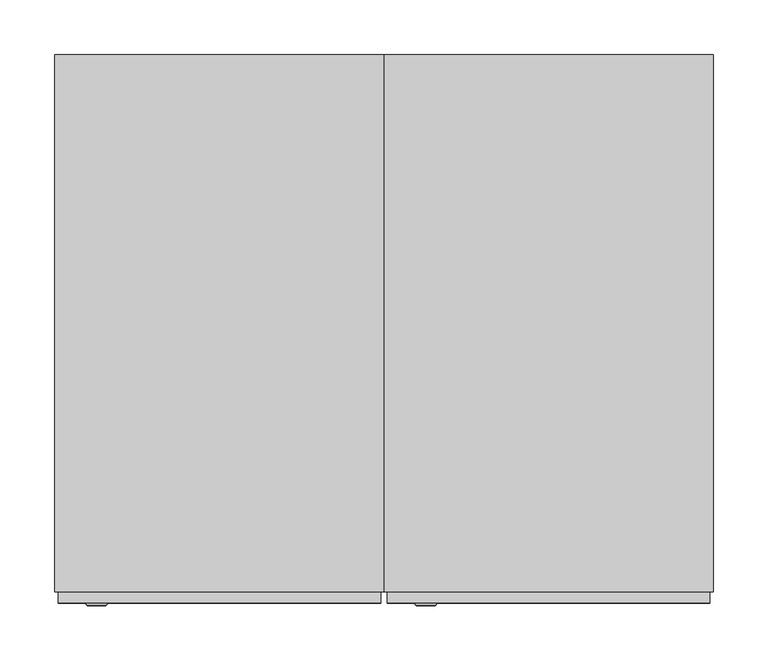
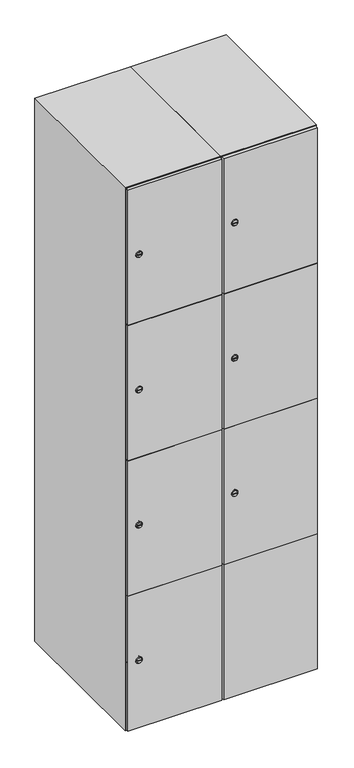
"""IFC4 building model written with IfcOpenShell, lengths in millimetres: furniture geometry."""

from ifc_helpers import new_model, si_unit, point, frame, frame_2d, origin, place, context, project, spatial, polyline, circle_curve, trimmed, segment, composite_curve, outline, extrude, faceted_brep, source, transform, mapped, element, save
from ifc_brep_helpers import plane_surface, revolved_surface, advanced_brep


def furniture_9458213a(model_context):
    return source(origin(), model_context, "Body", "SolidModel", [
        extrude(outline(composite_curve([segment(trimmed(circle_curve(frame_2d((710.75, 111.2010534)), 7.0), [point((717.75, 111.2010534))], [point((703.75, 111.2010534))], False, "CARTESIAN"), True, "CONTINUOUS"), segment(polyline([(703.75, 111.2010534), (703.75, 139.2010534)]), True, "CONTINUOUS"), segment(trimmed(circle_curve(frame_2d((710.75, 139.2010534)), 7.0), [point((703.75, 139.2010534))], [point((717.75, 139.2010534))], False, "CARTESIAN"), True, "CONTINUOUS"), segment(polyline([(717.75, 139.2010534), (717.75, 111.2010534)]), True, "CONTINUOUS")], self_intersect=False)), frame((0.0, -245.0, 0.0), z_axis=(0.0, 1.0, 0.0), x_axis=(0.0, 0.0, 1.0)), (0.0, 0.0, 1.0), 2.0),
        advanced_brep(
        [(146.5, -257.2, 710.75), (129.5, -257.2, 710.75), (133.0, -257.2, 709.5), (133.0, -257.2, 712.0), (143.0, -257.2, 712.0), (143.0, -257.2, 709.5), (148.5, -255.0, 710.75), (127.5, -255.0, 710.75), (133.0, -255.0, 712.0), (133.0, -255.0, 709.5), (143.0, -255.0, 709.5), (143.0, -255.0, 712.0)],
        [
            (0, 1, circle_curve(frame((138.0, -257.2, 710.75), z_axis=(0.0, -1.0, 0.0), x_axis=(1.0, 0.0, 0.0)), 8.5)),
            (1, 0, circle_curve(frame((138.0, -257.2, 710.75), z_axis=(0.0, -1.0, 0.0), x_axis=(-1.0, 0.0, 0.0)), 8.5)),
            (2, 3),
            (3, 4),
            (4, 5),
            (5, 2),
            (6, 7, circle_curve(frame((138.0, -255.0, 710.75), z_axis=(0.0, 1.0, 0.0), x_axis=(-1.0, 0.0, 0.0)), 10.5)),
            (7, 6, circle_curve(frame((138.0, -255.0, 710.75), z_axis=(0.0, 1.0, 0.0), x_axis=(1.0, 0.0, 0.0)), 10.5)),
            (8, 9),
            (9, 10),
            (10, 11),
            (11, 8),
            (0, 6),
            (7, 1),
            (8, 3),
            (2, 9),
            (11, 4),
            (10, 5),
        ],
        [
            plane_surface(frame((138.0, -257.2, 710.75), z_axis=(0.0, -1.0, 0.0), x_axis=(0.0, 0.0, 1.0))),
            plane_surface(frame((138.0, -255.0, 710.75), z_axis=(0.0, 1.0, 0.0), x_axis=(0.0, 0.0, 1.0))),
            revolved_surface(polyline([(146.5, -257.2, 710.75), (148.5, -255.0, 710.75)]), (138.0, -266.55, 710.75), (0.0, 1.0, 0.0)),
            revolved_surface(polyline([(129.5, -257.2, 710.75), (127.5, -255.0, 710.75)]), (138.0, -266.55, 710.75), (0.0, 1.0, 0.0)),
            plane_surface(frame((133.0, -255.0, 709.5), z_axis=(1.0, 0.0, 0.0), x_axis=(0.0, -1.0, 0.0))),
            plane_surface(frame((133.0, -255.0, 712.0), z_axis=(0.0, 0.0, -1.0), x_axis=(0.0, -1.0, 0.0))),
            plane_surface(frame((143.0, -255.0, 712.0), z_axis=(-1.0, 0.0, 0.0), x_axis=(0.0, -1.0, 0.0))),
            plane_surface(frame((143.0, -255.0, 709.5), z_axis=(0.0, 0.0, 1.0), x_axis=(0.0, -1.0, 0.0))),
        ],
        [
            (0, [[1, 2], [3, 4, 5, 6]]),
            (1, [[7, 8], [9, 10, 11, 12]]),
            (2, [[-1, 13, -8, 14]]),
            (3, [[-2, -14, -7, -13]]),
            (4, [[15, -3, 16, -9]]),
            (5, [[-15, -12, 17, -4]]),
            (6, [[-17, -11, 18, -5]]),
            (7, [[-16, -6, -18, -10]]),
        ],
    ),
        extrude(outline(composite_curve([segment(trimmed(circle_curve(frame_2d((1159.25, 111.2010534)), 7.0), [point((1166.25, 111.2010534))], [point((1152.25, 111.2010534))], False, "CARTESIAN"), True, "CONTINUOUS"), segment(polyline([(1152.25, 111.2010534), (1152.25, 139.2010534)]), True, "CONTINUOUS"), segment(trimmed(circle_curve(frame_2d((1159.25, 139.2010534)), 7.0), [point((1152.25, 139.2010534))], [point((1166.25, 139.2010534))], False, "CARTESIAN"), True, "CONTINUOUS"), segment(polyline([(1166.25, 139.2010534), (1166.25, 111.2010534)]), True, "CONTINUOUS")], self_intersect=False)), frame((0.0, -245.0, 0.0), z_axis=(0.0, 1.0, 0.0), x_axis=(0.0, 0.0, 1.0)), (0.0, 0.0, 1.0), 2.0),
        advanced_brep(
        [(146.5, -257.2, 1159.25), (129.5, -257.2, 1159.25), (133.0, -257.2, 1158.0), (133.0, -257.2, 1160.5), (143.0, -257.2, 1160.5), (143.0, -257.2, 1158.0), (148.5, -255.0, 1159.25), (127.5, -255.0, 1159.25), (133.0, -255.0, 1160.5), (133.0, -255.0, 1158.0), (143.0, -255.0, 1158.0), (143.0, -255.0, 1160.5)],
        [
            (0, 1, circle_curve(frame((138.0, -257.2, 1159.25), z_axis=(0.0, -1.0, 0.0), x_axis=(1.0, 0.0, 0.0)), 8.5)),
            (1, 0, circle_curve(frame((138.0, -257.2, 1159.25), z_axis=(0.0, -1.0, 0.0), x_axis=(-1.0, 0.0, 0.0)), 8.5)),
            (2, 3),
            (3, 4),
            (4, 5),
            (5, 2),
            (6, 7, circle_curve(frame((138.0, -255.0, 1159.25), z_axis=(0.0, 1.0, 0.0), x_axis=(-1.0, 0.0, 0.0)), 10.5)),
            (7, 6, circle_curve(frame((138.0, -255.0, 1159.25), z_axis=(0.0, 1.0, 0.0), x_axis=(1.0, 0.0, 0.0)), 10.5)),
            (8, 9),
            (9, 10),
            (10, 11),
            (11, 8),
            (0, 6),
            (7, 1),
            (8, 3),
            (2, 9),
            (11, 4),
            (10, 5),
        ],
        [
            plane_surface(frame((138.0, -257.2, 1159.25), z_axis=(0.0, -1.0, 0.0), x_axis=(0.0, 0.0, 1.0))),
            plane_surface(frame((138.0, -255.0, 1159.25), z_axis=(0.0, 1.0, 0.0), x_axis=(0.0, 0.0, 1.0))),
            revolved_surface(polyline([(146.5, -257.2, 1159.25), (148.5, -255.0, 1159.25)]), (138.0, -266.55, 1159.25), (0.0, 1.0, 0.0)),
            revolved_surface(polyline([(129.5, -257.2, 1159.25), (127.5, -255.0, 1159.25)]), (138.0, -266.55, 1159.25), (0.0, 1.0, 0.0)),
            plane_surface(frame((133.0, -255.0, 1158.0), z_axis=(1.0, 0.0, 0.0), x_axis=(0.0, -1.0, 0.0))),
            plane_surface(frame((133.0, -255.0, 1160.5), z_axis=(0.0, 0.0, -1.0), x_axis=(0.0, -1.0, 0.0))),
            plane_surface(frame((143.0, -255.0, 1160.5), z_axis=(-1.0, 0.0, 0.0), x_axis=(0.0, -1.0, 0.0))),
            plane_surface(frame((143.0, -255.0, 1158.0), z_axis=(0.0, 0.0, 1.0), x_axis=(0.0, -1.0, 0.0))),
        ],
        [
            (0, [[1, 2], [3, 4, 5, 6]]),
            (1, [[7, 8], [9, 10, 11, 12]]),
            (2, [[-1, 13, -8, 14]]),
            (3, [[-2, -14, -7, -13]]),
            (4, [[15, -3, 16, -9]]),
            (5, [[-15, -12, 17, -4]]),
            (6, [[-17, -11, 18, -5]]),
            (7, [[-16, -6, -18, -10]]),
        ],
    ),
        extrude(outline(composite_curve([segment(trimmed(circle_curve(frame_2d((1607.75, 111.2010534)), 7.0), [point((1614.75, 111.2010534))], [point((1600.75, 111.2010534))], False, "CARTESIAN"), True, "CONTINUOUS"), segment(polyline([(1600.75, 111.2010534), (1600.75, 139.2010534)]), True, "CONTINUOUS"), segment(trimmed(circle_curve(frame_2d((1607.75, 139.2010534)), 7.0), [point((1600.75, 139.2010534))], [point((1614.75, 139.2010534))], False, "CARTESIAN"), True, "CONTINUOUS"), segment(polyline([(1614.75, 139.2010534), (1614.75, 111.2010534)]), True, "CONTINUOUS")], self_intersect=False)), frame((0.0, -245.0, 0.0), z_axis=(0.0, 1.0, 0.0), x_axis=(0.0, 0.0, 1.0)), (0.0, 0.0, 1.0), 2.0),
        advanced_brep(
        [(146.5, -257.2, 1607.75), (129.5, -257.2, 1607.75), (133.0, -257.2, 1606.5), (133.0, -257.2, 1609.0), (143.0, -257.2, 1609.0), (143.0, -257.2, 1606.5), (148.5, -255.0, 1607.75), (127.5, -255.0, 1607.75), (133.0, -255.0, 1609.0), (133.0, -255.0, 1606.5), (143.0, -255.0, 1606.5), (143.0, -255.0, 1609.0)],
        [
            (0, 1, circle_curve(frame((138.0, -257.2, 1607.75), z_axis=(0.0, -1.0, 0.0), x_axis=(1.0, 0.0, 0.0)), 8.5)),
            (1, 0, circle_curve(frame((138.0, -257.2, 1607.75), z_axis=(0.0, -1.0, 0.0), x_axis=(-1.0, 0.0, 0.0)), 8.5)),
            (2, 3),
            (3, 4),
            (4, 5),
            (5, 2),
            (6, 7, circle_curve(frame((138.0, -255.0, 1607.75), z_axis=(0.0, 1.0, 0.0), x_axis=(-1.0, 0.0, 0.0)), 10.5)),
            (7, 6, circle_curve(frame((138.0, -255.0, 1607.75), z_axis=(0.0, 1.0, 0.0), x_axis=(1.0, 0.0, 0.0)), 10.5)),
            (8, 9),
            (9, 10),
            (10, 11),
            (11, 8),
            (0, 6),
            (7, 1),
            (8, 3),
            (2, 9),
            (11, 4),
            (10, 5),
        ],
        [
            plane_surface(frame((138.0, -257.2, 1607.75), z_axis=(0.0, -1.0, 0.0), x_axis=(0.0, 0.0, 1.0))),
            plane_surface(frame((138.0, -255.0, 1607.75), z_axis=(0.0, 1.0, 0.0), x_axis=(0.0, 0.0, 1.0))),
            revolved_surface(polyline([(146.5, -257.2, 1607.75), (148.5, -255.0, 1607.75)]), (138.0, -266.55, 1607.75), (0.0, 1.0, 0.0)),
            revolved_surface(polyline([(129.5, -257.2, 1607.75), (127.5, -255.0, 1607.75)]), (138.0, -266.55, 1607.75), (0.0, 1.0, 0.0)),
            plane_surface(frame((133.0, -255.0, 1606.5), z_axis=(1.0, 0.0, 0.0), x_axis=(0.0, -1.0, 0.0))),
            plane_surface(frame((133.0, -255.0, 1609.0), z_axis=(0.0, 0.0, -1.0), x_axis=(0.0, -1.0, 0.0))),
            plane_surface(frame((143.0, -255.0, 1609.0), z_axis=(-1.0, 0.0, 0.0), x_axis=(0.0, -1.0, 0.0))),
            plane_surface(frame((143.0, -255.0, 1606.5), z_axis=(0.0, 0.0, 1.0), x_axis=(0.0, -1.0, 0.0))),
        ],
        [
            (0, [[1, 2], [3, 4, 5, 6]]),
            (1, [[7, 8], [9, 10, 11, 12]]),
            (2, [[-1, 13, -8, 14]]),
            (3, [[-2, -14, -7, -13]]),
            (4, [[15, -3, 16, -9]]),
            (5, [[-15, -12, 17, -4]]),
            (6, [[-17, -11, 18, -5]]),
            (7, [[-16, -6, -18, -10]]),
        ],
    ),
        extrude(outline(polyline([(397.0, -245.0), (397.0, -255.0), (103.0, -255.0), (103.0, -245.0), (397.0, -245.0)])), frame((0.0, 0.0, 486.0), z_axis=(0.0, 0.0, 1.0), x_axis=(1.0, 0.0, 0.0)), (0.0, 0.0, 1.0), 448.5),
        extrude(outline(polyline([(397.0, -245.0), (397.0, -255.0), (103.0, -255.0), (103.0, -245.0), (397.0, -245.0)])), frame((0.0, 0.0, 935.5), z_axis=(0.0, 0.0, 1.0), x_axis=(1.0, 0.0, 0.0)), (0.0, 0.0, 1.0), 447.5),
        extrude(outline(polyline([(103.0, -255.0), (103.0, -245.0), (397.0, -245.0), (397.0, -255.0), (103.0, -255.0)])), frame((0.0, 0.0, 1384.0), z_axis=(0.0, 0.0, 1.0), x_axis=(1.0, 0.0, 0.0)), (0.0, 0.0, 1.0), 448.0),
        extrude(outline(polyline([(397.0, -245.0), (397.0, -255.0), (103.0, -255.0), (103.0, -245.0), (397.0, -245.0)])), frame((0.0, 0.0, 38.0), z_axis=(0.0, 0.0, 1.0), x_axis=(1.0, 0.0, 0.0)), (0.0, 0.0, 1.0), 449.0),
        extrude(outline(polyline([(379.6, 242.0), (379.6, -235.0), (120.4, -235.0), (120.4, 242.0), (379.6, 242.0)])), frame((0.0, 0.0, 1359.7), z_axis=(0.0, 0.0, 1.0), x_axis=(1.0, 0.0, 0.0)), (0.0, 0.0, 1.0), 20.4),
        extrude(outline(polyline([(379.6, 242.0), (379.6, -235.0), (120.4, -235.0), (120.4, 242.0), (379.6, 242.0)])), frame((0.0, 0.0, 924.8), z_axis=(0.0, 0.0, 1.0), x_axis=(1.0, 0.0, 0.0)), (0.0, 0.0, 1.0), 20.4),
        extrude(outline(polyline([(379.6, 242.0), (379.6, -235.0), (120.4, -235.0), (120.4, 242.0), (379.6, 242.0)])), frame((0.0, 0.0, 489.9), z_axis=(0.0, 0.0, 1.0), x_axis=(1.0, 0.0, 0.0)), (0.0, 0.0, 1.0), 20.4),
        faceted_brep([(400.0, -245.0, 35.0), (400.0, -245.0, 1835.0), (100.0, -245.0, 1835.0), (100.0, -245.0, 35.0), (379.6, -245.0, 1804.8), (379.6, -245.0, 65.2), (120.4, -245.0, 65.2), (120.4, -245.0, 1804.8), (400.0, 245.0, 35.0), (100.0, 245.0, 35.0), (400.0, 245.0, 1835.0), (100.0, 245.0, 1835.0), (379.6, 242.0, 1804.8), (379.6, 242.0, 65.2), (100.0, 245.0, 1804.8), (120.4, 242.0, 1804.8), (120.4, 242.0, 65.2)], [[[0, 1, 2, 3], [4, 5, 6, 7]], [[8, 0, 3, 9]], [[1, 0, 8, 10]], [[1, 10, 11, 2]], [[4, 12, 13, 5]], [[9, 3, 2, 11, 14]], [[10, 8, 9, 14, 11]], [[12, 15, 16, 13]], [[15, 7, 6, 16]], [[4, 7, 15, 12]], [[6, 5, 13, 16]]]),
        extrude(outline(composite_curve([segment(trimmed(circle_curve(frame_2d((262.25, -188.7989466)), 7.0), [point((269.25, -188.7989466))], [point((255.25, -188.7989466))], False, "CARTESIAN"), True, "CONTINUOUS"), segment(polyline([(255.25, -188.7989466), (255.25, -160.7989466)]), True, "CONTINUOUS"), segment(trimmed(circle_curve(frame_2d((262.25, -160.7989466)), 7.0), [point((255.25, -160.7989466))], [point((269.25, -160.7989466))], False, "CARTESIAN"), True, "CONTINUOUS"), segment(polyline([(269.25, -160.7989466), (269.25, -188.7989466)]), True, "CONTINUOUS")], self_intersect=False)), frame((0.0, -245.0, 0.0), z_axis=(0.0, 1.0, 0.0), x_axis=(0.0, 0.0, 1.0)), (0.0, 0.0, 1.0), 2.0),
        advanced_brep(
        [(-153.5, -257.2, 262.25), (-170.5, -257.2, 262.25), (-167.0, -257.2, 261.0), (-167.0, -257.2, 263.5), (-157.0, -257.2, 263.5), (-157.0, -257.2, 261.0), (-151.5, -255.0, 262.25), (-172.5, -255.0, 262.25), (-167.0, -255.0, 263.5), (-167.0, -255.0, 261.0), (-157.0, -255.0, 261.0), (-157.0, -255.0, 263.5)],
        [
            (0, 1, circle_curve(frame((-162.0, -257.2, 262.25), z_axis=(0.0, -1.0, 0.0), x_axis=(1.0, 0.0, 0.0)), 8.5)),
            (1, 0, circle_curve(frame((-162.0, -257.2, 262.25), z_axis=(0.0, -1.0, 0.0), x_axis=(-1.0, 0.0, 0.0)), 8.5)),
            (2, 3),
            (3, 4),
            (4, 5),
            (5, 2),
            (6, 7, circle_curve(frame((-162.0, -255.0, 262.25), z_axis=(0.0, 1.0, 0.0), x_axis=(-1.0, 0.0, 0.0)), 10.5)),
            (7, 6, circle_curve(frame((-162.0, -255.0, 262.25), z_axis=(0.0, 1.0, 0.0), x_axis=(1.0, 0.0, 0.0)), 10.5)),
            (8, 9),
            (9, 10),
            (10, 11),
            (11, 8),
            (0, 6),
            (7, 1),
            (8, 3),
            (2, 9),
            (11, 4),
            (10, 5),
        ],
        [
            plane_surface(frame((-162.0, -257.2, 262.25), z_axis=(0.0, -1.0, 0.0), x_axis=(0.0, 0.0, 1.0))),
            plane_surface(frame((-162.0, -255.0, 262.25), z_axis=(0.0, 1.0, 0.0), x_axis=(0.0, 0.0, 1.0))),
            revolved_surface(polyline([(-153.5, -257.2, 262.25), (-151.5, -255.0, 262.25)]), (-162.0, -266.55, 262.25), (0.0, 1.0, 0.0)),
            revolved_surface(polyline([(-170.5, -257.2, 262.25), (-172.5, -255.0, 262.25)]), (-162.0, -266.55, 262.25), (0.0, 1.0, 0.0)),
            plane_surface(frame((-167.0, -255.0, 261.0), z_axis=(1.0, 0.0, 0.0), x_axis=(0.0, -1.0, 0.0))),
            plane_surface(frame((-167.0, -255.0, 263.5), z_axis=(0.0, 0.0, -1.0), x_axis=(0.0, -1.0, 0.0))),
            plane_surface(frame((-157.0, -255.0, 263.5), z_axis=(-1.0, 0.0, 0.0), x_axis=(0.0, -1.0, 0.0))),
            plane_surface(frame((-157.0, -255.0, 261.0), z_axis=(0.0, 0.0, 1.0), x_axis=(0.0, -1.0, 0.0))),
        ],
        [
            (0, [[1, 2], [3, 4, 5, 6]]),
            (1, [[7, 8], [9, 10, 11, 12]]),
            (2, [[-1, 13, -8, 14]]),
            (3, [[-2, -14, -7, -13]]),
            (4, [[15, -3, 16, -9]]),
            (5, [[-15, -12, 17, -4]]),
            (6, [[-17, -11, 18, -5]]),
            (7, [[-16, -6, -18, -10]]),
        ],
    ),
        extrude(outline(composite_curve([segment(trimmed(circle_curve(frame_2d((710.75, -188.7989466)), 7.0), [point((717.75, -188.7989466))], [point((703.75, -188.7989466))], False, "CARTESIAN"), True, "CONTINUOUS"), segment(polyline([(703.75, -188.7989466), (703.75, -160.7989466)]), True, "CONTINUOUS"), segment(trimmed(circle_curve(frame_2d((710.75, -160.7989466)), 7.0), [point((703.75, -160.7989466))], [point((717.75, -160.7989466))], False, "CARTESIAN"), True, "CONTINUOUS"), segment(polyline([(717.75, -160.7989466), (717.75, -188.7989466)]), True, "CONTINUOUS")], self_intersect=False)), frame((0.0, -245.0, 0.0), z_axis=(0.0, 1.0, 0.0), x_axis=(0.0, 0.0, 1.0)), (0.0, 0.0, 1.0), 2.0),
        advanced_brep(
        [(-153.5, -257.2, 710.75), (-170.5, -257.2, 710.75), (-167.0, -257.2, 709.5), (-167.0, -257.2, 712.0), (-157.0, -257.2, 712.0), (-157.0, -257.2, 709.5), (-151.5, -255.0, 710.75), (-172.5, -255.0, 710.75), (-167.0, -255.0, 712.0), (-167.0, -255.0, 709.5), (-157.0, -255.0, 709.5), (-157.0, -255.0, 712.0)],
        [
            (0, 1, circle_curve(frame((-162.0, -257.2, 710.75), z_axis=(0.0, -1.0, 0.0), x_axis=(1.0, 0.0, 0.0)), 8.5)),
            (1, 0, circle_curve(frame((-162.0, -257.2, 710.75), z_axis=(0.0, -1.0, 0.0), x_axis=(-1.0, 0.0, 0.0)), 8.5)),
            (2, 3),
            (3, 4),
            (4, 5),
            (5, 2),
            (6, 7, circle_curve(frame((-162.0, -255.0, 710.75), z_axis=(0.0, 1.0, 0.0), x_axis=(-1.0, 0.0, 0.0)), 10.5)),
            (7, 6, circle_curve(frame((-162.0, -255.0, 710.75), z_axis=(0.0, 1.0, 0.0), x_axis=(1.0, 0.0, 0.0)), 10.5)),
            (8, 9),
            (9, 10),
            (10, 11),
            (11, 8),
            (0, 6),
            (7, 1),
            (8, 3),
            (2, 9),
            (11, 4),
            (10, 5),
        ],
        [
            plane_surface(frame((-162.0, -257.2, 710.75), z_axis=(0.0, -1.0, 0.0), x_axis=(0.0, 0.0, 1.0))),
            plane_surface(frame((-162.0, -255.0, 710.75), z_axis=(0.0, 1.0, 0.0), x_axis=(0.0, 0.0, 1.0))),
            revolved_surface(polyline([(-153.5, -257.2, 710.75), (-151.5, -255.0, 710.75)]), (-162.0, -266.55, 710.75), (0.0, 1.0, 0.0)),
            revolved_surface(polyline([(-170.5, -257.2, 710.75), (-172.5, -255.0, 710.75)]), (-162.0, -266.55, 710.75), (0.0, 1.0, 0.0)),
            plane_surface(frame((-167.0, -255.0, 709.5), z_axis=(1.0, 0.0, 0.0), x_axis=(0.0, -1.0, 0.0))),
            plane_surface(frame((-167.0, -255.0, 712.0), z_axis=(0.0, 0.0, -1.0), x_axis=(0.0, -1.0, 0.0))),
            plane_surface(frame((-157.0, -255.0, 712.0), z_axis=(-1.0, 0.0, 0.0), x_axis=(0.0, -1.0, 0.0))),
            plane_surface(frame((-157.0, -255.0, 709.5), z_axis=(0.0, 0.0, 1.0), x_axis=(0.0, -1.0, 0.0))),
        ],
        [
            (0, [[1, 2], [3, 4, 5, 6]]),
            (1, [[7, 8], [9, 10, 11, 12]]),
            (2, [[-1, 13, -8, 14]]),
            (3, [[-2, -14, -7, -13]]),
            (4, [[15, -3, 16, -9]]),
            (5, [[-15, -12, 17, -4]]),
            (6, [[-17, -11, 18, -5]]),
            (7, [[-16, -6, -18, -10]]),
        ],
    ),
        extrude(outline(composite_curve([segment(trimmed(circle_curve(frame_2d((1159.25, -188.7989466)), 7.0), [point((1166.25, -188.7989466))], [point((1152.25, -188.7989466))], False, "CARTESIAN"), True, "CONTINUOUS"), segment(polyline([(1152.25, -188.7989466), (1152.25, -160.7989466)]), True, "CONTINUOUS"), segment(trimmed(circle_curve(frame_2d((1159.25, -160.7989466)), 7.0), [point((1152.25, -160.7989466))], [point((1166.25, -160.7989466))], False, "CARTESIAN"), True, "CONTINUOUS"), segment(polyline([(1166.25, -160.7989466), (1166.25, -188.7989466)]), True, "CONTINUOUS")], self_intersect=False)), frame((0.0, -245.0, 0.0), z_axis=(0.0, 1.0, 0.0), x_axis=(0.0, 0.0, 1.0)), (0.0, 0.0, 1.0), 2.0),
        advanced_brep(
        [(-153.5, -257.2, 1159.25), (-170.5, -257.2, 1159.25), (-167.0, -257.2, 1158.0), (-167.0, -257.2, 1160.5), (-157.0, -257.2, 1160.5), (-157.0, -257.2, 1158.0), (-151.5, -255.0, 1159.25), (-172.5, -255.0, 1159.25), (-167.0, -255.0, 1160.5), (-167.0, -255.0, 1158.0), (-157.0, -255.0, 1158.0), (-157.0, -255.0, 1160.5)],
        [
            (0, 1, circle_curve(frame((-162.0, -257.2, 1159.25), z_axis=(0.0, -1.0, 0.0), x_axis=(1.0, 0.0, 0.0)), 8.5)),
            (1, 0, circle_curve(frame((-162.0, -257.2, 1159.25), z_axis=(0.0, -1.0, 0.0), x_axis=(-1.0, 0.0, 0.0)), 8.5)),
            (2, 3),
            (3, 4),
            (4, 5),
            (5, 2),
            (6, 7, circle_curve(frame((-162.0, -255.0, 1159.25), z_axis=(0.0, 1.0, 0.0), x_axis=(-1.0, 0.0, 0.0)), 10.5)),
            (7, 6, circle_curve(frame((-162.0, -255.0, 1159.25), z_axis=(0.0, 1.0, 0.0), x_axis=(1.0, 0.0, 0.0)), 10.5)),
            (8, 9),
            (9, 10),
            (10, 11),
            (11, 8),
            (0, 6),
            (7, 1),
            (8, 3),
            (2, 9),
            (11, 4),
            (10, 5),
        ],
        [
            plane_surface(frame((-162.0, -257.2, 1159.25), z_axis=(0.0, -1.0, 0.0), x_axis=(0.0, 0.0, 1.0))),
            plane_surface(frame((-162.0, -255.0, 1159.25), z_axis=(0.0, 1.0, 0.0), x_axis=(0.0, 0.0, 1.0))),
            revolved_surface(polyline([(-153.5, -257.2, 1159.25), (-151.5, -255.0, 1159.25)]), (-162.0, -266.55, 1159.25), (0.0, 1.0, 0.0)),
            revolved_surface(polyline([(-170.5, -257.2, 1159.25), (-172.5, -255.0, 1159.25)]), (-162.0, -266.55, 1159.25), (0.0, 1.0, 0.0)),
            plane_surface(frame((-167.0, -255.0, 1158.0), z_axis=(1.0, 0.0, 0.0), x_axis=(0.0, -1.0, 0.0))),
            plane_surface(frame((-167.0, -255.0, 1160.5), z_axis=(0.0, 0.0, -1.0), x_axis=(0.0, -1.0, 0.0))),
            plane_surface(frame((-157.0, -255.0, 1160.5), z_axis=(-1.0, 0.0, 0.0), x_axis=(0.0, -1.0, 0.0))),
            plane_surface(frame((-157.0, -255.0, 1158.0), z_axis=(0.0, 0.0, 1.0), x_axis=(0.0, -1.0, 0.0))),
        ],
        [
            (0, [[1, 2], [3, 4, 5, 6]]),
            (1, [[7, 8], [9, 10, 11, 12]]),
            (2, [[-1, 13, -8, 14]]),
            (3, [[-2, -14, -7, -13]]),
            (4, [[15, -3, 16, -9]]),
            (5, [[-15, -12, 17, -4]]),
            (6, [[-17, -11, 18, -5]]),
            (7, [[-16, -6, -18, -10]]),
        ],
    ),
        extrude(outline(composite_curve([segment(trimmed(circle_curve(frame_2d((1607.75, -188.7989466)), 7.0), [point((1614.75, -188.7989466))], [point((1600.75, -188.7989466))], False, "CARTESIAN"), True, "CONTINUOUS"), segment(polyline([(1600.75, -188.7989466), (1600.75, -160.7989466)]), True, "CONTINUOUS"), segment(trimmed(circle_curve(frame_2d((1607.75, -160.7989466)), 7.0), [point((1600.75, -160.7989466))], [point((1614.75, -160.7989466))], False, "CARTESIAN"), True, "CONTINUOUS"), segment(polyline([(1614.75, -160.7989466), (1614.75, -188.7989466)]), True, "CONTINUOUS")], self_intersect=False)), frame((0.0, -245.0, 0.0), z_axis=(0.0, 1.0, 0.0), x_axis=(0.0, 0.0, 1.0)), (0.0, 0.0, 1.0), 2.0),
        advanced_brep(
        [(-153.5, -257.2, 1607.75), (-170.5, -257.2, 1607.75), (-167.0, -257.2, 1606.5), (-167.0, -257.2, 1609.0), (-157.0, -257.2, 1609.0), (-157.0, -257.2, 1606.5), (-151.5, -255.0, 1607.75), (-172.5, -255.0, 1607.75), (-167.0, -255.0, 1609.0), (-167.0, -255.0, 1606.5), (-157.0, -255.0, 1606.5), (-157.0, -255.0, 1609.0)],
        [
            (0, 1, circle_curve(frame((-162.0, -257.2, 1607.75), z_axis=(0.0, -1.0, 0.0), x_axis=(1.0, 0.0, 0.0)), 8.5)),
            (1, 0, circle_curve(frame((-162.0, -257.2, 1607.75), z_axis=(0.0, -1.0, 0.0), x_axis=(-1.0, 0.0, 0.0)), 8.5)),
            (2, 3),
            (3, 4),
            (4, 5),
            (5, 2),
            (6, 7, circle_curve(frame((-162.0, -255.0, 1607.75), z_axis=(0.0, 1.0, 0.0), x_axis=(-1.0, 0.0, 0.0)), 10.5)),
            (7, 6, circle_curve(frame((-162.0, -255.0, 1607.75), z_axis=(0.0, 1.0, 0.0), x_axis=(1.0, 0.0, 0.0)), 10.5)),
            (8, 9),
            (9, 10),
            (10, 11),
            (11, 8),
            (0, 6),
            (7, 1),
            (8, 3),
            (2, 9),
            (11, 4),
            (10, 5),
        ],
        [
            plane_surface(frame((-162.0, -257.2, 1607.75), z_axis=(0.0, -1.0, 0.0), x_axis=(0.0, 0.0, 1.0))),
            plane_surface(frame((-162.0, -255.0, 1607.75), z_axis=(0.0, 1.0, 0.0), x_axis=(0.0, 0.0, 1.0))),
            revolved_surface(polyline([(-153.5, -257.2, 1607.75), (-151.5, -255.0, 1607.75)]), (-162.0, -266.55, 1607.75), (0.0, 1.0, 0.0)),
            revolved_surface(polyline([(-170.5, -257.2, 1607.75), (-172.5, -255.0, 1607.75)]), (-162.0, -266.55, 1607.75), (0.0, 1.0, 0.0)),
            plane_surface(frame((-167.0, -255.0, 1606.5), z_axis=(1.0, 0.0, 0.0), x_axis=(0.0, -1.0, 0.0))),
            plane_surface(frame((-167.0, -255.0, 1609.0), z_axis=(0.0, 0.0, -1.0), x_axis=(0.0, -1.0, 0.0))),
            plane_surface(frame((-157.0, -255.0, 1609.0), z_axis=(-1.0, 0.0, 0.0), x_axis=(0.0, -1.0, 0.0))),
            plane_surface(frame((-157.0, -255.0, 1606.5), z_axis=(0.0, 0.0, 1.0), x_axis=(0.0, -1.0, 0.0))),
        ],
        [
            (0, [[1, 2], [3, 4, 5, 6]]),
            (1, [[7, 8], [9, 10, 11, 12]]),
            (2, [[-1, 13, -8, 14]]),
            (3, [[-2, -14, -7, -13]]),
            (4, [[15, -3, 16, -9]]),
            (5, [[-15, -12, 17, -4]]),
            (6, [[-17, -11, 18, -5]]),
            (7, [[-16, -6, -18, -10]]),
        ],
    ),
        extrude(outline(polyline([(97.0, -245.0), (97.0, -255.0), (-197.0, -255.0), (-197.0, -245.0), (97.0, -245.0)])), frame((0.0, 0.0, 486.0), z_axis=(0.0, 0.0, 1.0), x_axis=(1.0, 0.0, 0.0)), (0.0, 0.0, 1.0), 448.5),
        extrude(outline(polyline([(97.0, -245.0), (97.0, -255.0), (-197.0, -255.0), (-197.0, -245.0), (97.0, -245.0)])), frame((0.0, 0.0, 935.5), z_axis=(0.0, 0.0, 1.0), x_axis=(1.0, 0.0, 0.0)), (0.0, 0.0, 1.0), 447.5),
        extrude(outline(polyline([(-197.0, -255.0), (-197.0, -245.0), (97.0, -245.0), (97.0, -255.0), (-197.0, -255.0)])), frame((0.0, 0.0, 1384.0), z_axis=(0.0, 0.0, 1.0), x_axis=(1.0, 0.0, 0.0)), (0.0, 0.0, 1.0), 448.0),
        extrude(outline(polyline([(97.0, -245.0), (97.0, -255.0), (-197.0, -255.0), (-197.0, -245.0), (97.0, -245.0)])), frame((0.0, 0.0, 38.0), z_axis=(0.0, 0.0, 1.0), x_axis=(1.0, 0.0, 0.0)), (0.0, 0.0, 1.0), 449.0),
        extrude(outline(polyline([(79.6, 242.0), (79.6, -235.0), (-179.6, -235.0), (-179.6, 242.0), (79.6, 242.0)])), frame((0.0, 0.0, 1359.7), z_axis=(0.0, 0.0, 1.0), x_axis=(1.0, 0.0, 0.0)), (0.0, 0.0, 1.0), 20.4),
        extrude(outline(polyline([(79.6, 242.0), (79.6, -235.0), (-179.6, -235.0), (-179.6, 242.0), (79.6, 242.0)])), frame((0.0, 0.0, 924.8), z_axis=(0.0, 0.0, 1.0), x_axis=(1.0, 0.0, 0.0)), (0.0, 0.0, 1.0), 20.4),
        extrude(outline(polyline([(79.6, 242.0), (79.6, -235.0), (-179.6, -235.0), (-179.6, 242.0), (79.6, 242.0)])), frame((0.0, 0.0, 489.9), z_axis=(0.0, 0.0, 1.0), x_axis=(1.0, 0.0, 0.0)), (0.0, 0.0, 1.0), 20.4),
        faceted_brep([(100.0, -245.0, 35.0), (100.0, -245.0, 1835.0), (-200.0, -245.0, 1835.0), (-200.0, -245.0, 35.0), (79.6, -245.0, 1804.8), (79.6, -245.0, 65.2), (-179.6, -245.0, 65.2), (-179.6, -245.0, 1804.8), (100.0, 245.0, 35.0), (-200.0, 245.0, 35.0), (100.0, 245.0, 1835.0), (-200.0, 245.0, 1835.0), (79.6, 242.0, 1804.8), (79.6, 242.0, 65.2), (-200.0, 245.0, 1804.8), (-179.6, 242.0, 1804.8), (-179.6, 242.0, 65.2)], [[[0, 1, 2, 3], [4, 5, 6, 7]], [[8, 0, 3, 9]], [[1, 0, 8, 10]], [[1, 10, 11, 2]], [[4, 12, 13, 5]], [[9, 3, 2, 11, 14]], [[10, 8, 9, 14, 11]], [[12, 15, 16, 13]], [[15, 7, 6, 16]], [[4, 7, 15, 12]], [[6, 5, 13, 16]]]),
    ])


if __name__ == "__main__":
    model = new_model("IFC4")
    model_context = context("Model", 3, world=origin())
    ifc_project = project(units=[si_unit("LENGTHUNIT", "METRE", prefix="MILLI")], contexts=[model_context])
    site = spatial("IfcSite", under=ifc_project)
    building = spatial("IfcBuilding", under=site)
    placement = place(None, origin())
    furniture_shape = furniture_9458213a(model_context)
    element("IfcFurniture", 1, at=placement, inside=building, context=model_context, shape_type="MappedRepresentation", body=[
        mapped(furniture_shape, transform((0.0, 0.0, 0.0), x_axis=(1.0, 0.0, 0.0), y_axis=(0.0, 1.0, 0.0), z_axis=(0.0, 0.0, 1.0))),
    ])
    save(model, "model.ifc")
